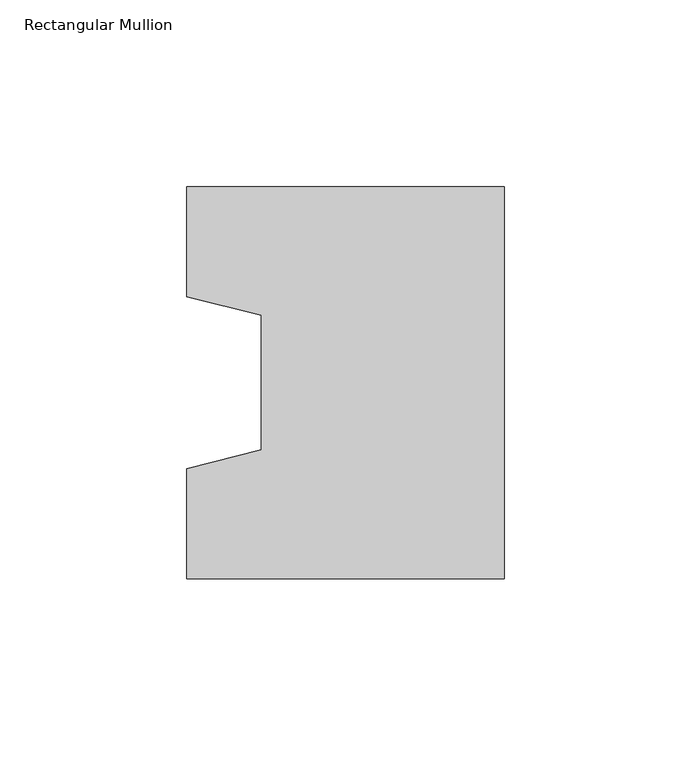
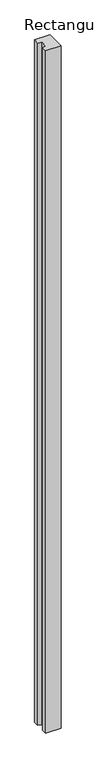
"""IFC4 building model written with IfcOpenShell, lengths in millimetres: column geometry, Rectangular Mullion."""

from ifc_helpers import new_model, si_unit, frame, origin, place, context, project, spatial, polyline, outline, extrude, source, transform, mapped, element, save


def rectangular_mullion_2a0f57c6(model_context):
    return source(origin(), model_context, "Body", "SweptSolid", [
        extrude(outline(polyline([(-85.0, -52.5), (-85.0, -23.0), (-65.0, -18.0), (-65.0, 18.0), (-85.0, 23.0), (-85.0, 52.5), (0.0, 52.5), (0.0, -52.5), (-85.0, -52.5)])), frame((0.0, 0.0, -4000.0), z_axis=(0.0, 0.0, 1.0), x_axis=(1.0, 0.0, 0.0)), (0.0, 0.0, 1.0), 4000.0),
    ])


if __name__ == "__main__":
    model = new_model("IFC4")
    model_context = context("Model", 3, world=origin())
    ifc_project = project(units=[si_unit("LENGTHUNIT", "METRE", prefix="MILLI")], contexts=[model_context])
    site = spatial("IfcSite", under=ifc_project)
    building = spatial("IfcBuilding", under=site)
    placement = place(None, origin())
    rectangular_mullion_shape = rectangular_mullion_2a0f57c6(model_context)
    element("IfcColumn", 1, ObjectType="Rectangular Mullion", at=placement, inside=building, context=model_context, shape_type="MappedRepresentation", body=[
        mapped(rectangular_mullion_shape, transform((0.0, 0.0, 0.0), x_axis=(1.0, 0.0, 0.0), y_axis=(0.0, 1.0, 0.0), z_axis=(0.0, 0.0, 1.0))),
    ])
    save(model, "model.ifc")
